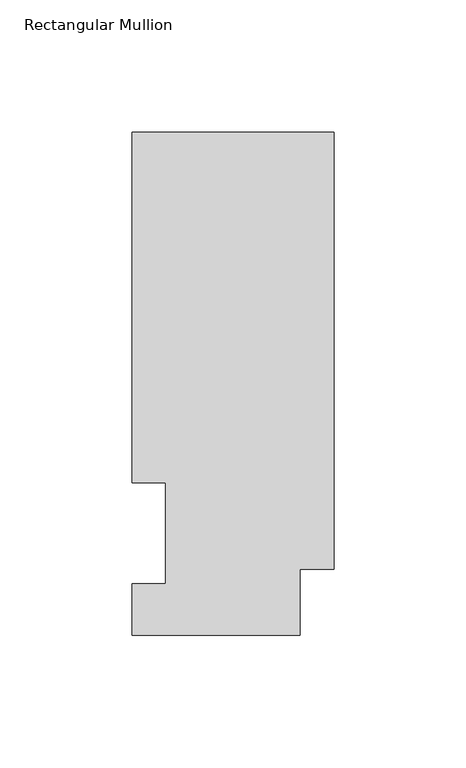
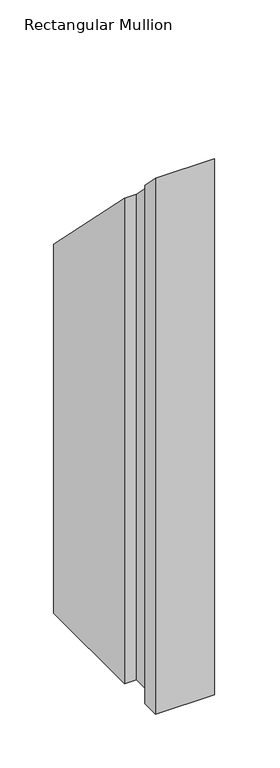
"""IFC4 building model written with IfcOpenShell, lengths in millimetres: member geometry, Rectangular Mullion."""

from ifc_helpers import new_model, si_unit, origin, place, context, project, spatial, faceted_brep, source, transform, mapped, element, save


def rectangular_mullion_4ef1beab(model_context):
    return source(origin(), model_context, "Body", "Brep", [
        faceted_brep([(0.0, 190.0816937, -609.6), (0.0, 25.0832937, -609.6), (-12.7, 25.0832937, -609.6), (-12.7, 0.0134937, -609.6), (-76.2, 0.0134937, -609.6), (-76.2, 19.5460937, -609.6), (-63.5, 19.5460937, -609.6), (-63.5, 57.6460937, -609.6), (-76.2, 57.6460937, -609.6), (-76.2, 190.0816937, -609.6), (-76.2, 190.0816937, -190.0816937), (0.0, 190.0816937, -190.0816937), (-76.2, 57.6460937, -57.6460937), (-63.5, 57.6460937, -57.6460937), (-63.5, 19.5460937, -19.5460937), (-76.2, 19.5460937, -19.5460937), (-76.2, 0.0134937, -0.0134937), (-12.7, 0.0134937, -0.0134937), (-12.7, 25.0832937, -25.0832937), (0.0, 25.0832937, -25.0832937)], [[[0, 1, 2, 3, 4, 5, 6, 7, 8, 9]], [[10, 11, 0, 9]], [[12, 10, 9, 8]], [[13, 12, 8, 7]], [[14, 13, 7, 6]], [[15, 14, 6, 5]], [[16, 15, 5, 4]], [[17, 16, 4, 3]], [[18, 17, 3, 2]], [[19, 18, 2, 1]], [[11, 19, 1, 0]], [[11, 10, 12, 13, 14, 15, 16, 17, 18, 19]]]),
    ])


if __name__ == "__main__":
    model = new_model("IFC4")
    model_context = context("Model", 3, world=origin())
    ifc_project = project(units=[si_unit("LENGTHUNIT", "METRE", prefix="MILLI")], contexts=[model_context])
    site = spatial("IfcSite", under=ifc_project)
    building = spatial("IfcBuilding", under=site)
    placement = place(None, origin())
    rectangular_mullion_shape = rectangular_mullion_4ef1beab(model_context)
    element("IfcMember", 1, ObjectType="Rectangular Mullion", at=placement, inside=building, context=model_context, shape_type="MappedRepresentation", body=[
        mapped(rectangular_mullion_shape, transform((0.0, 0.0, 0.0), x_axis=(1.0, 0.0, 0.0), y_axis=(0.0, 1.0, 0.0), z_axis=(0.0, 0.0, 1.0))),
    ])
    save(model, "model.ifc")
